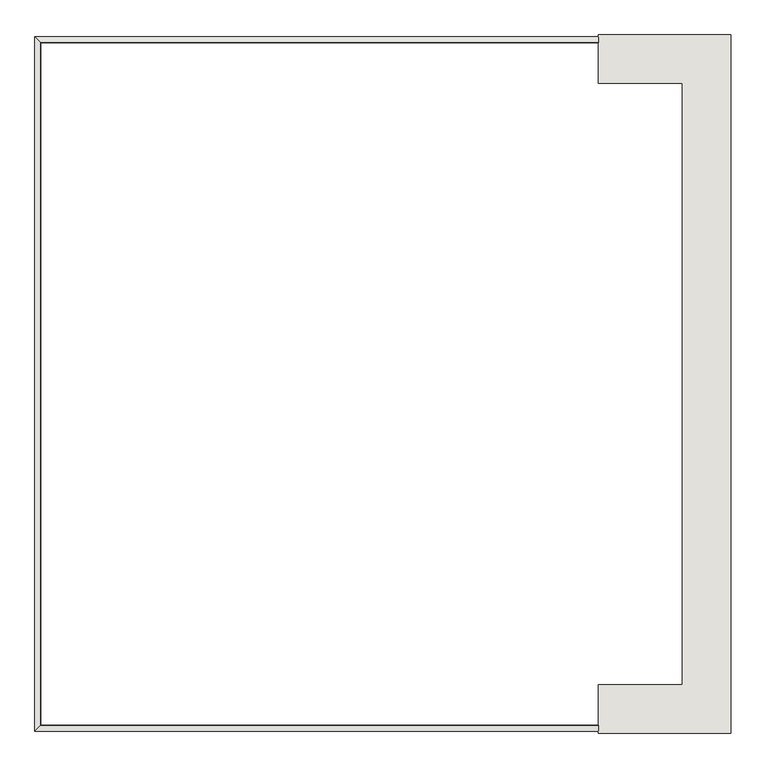
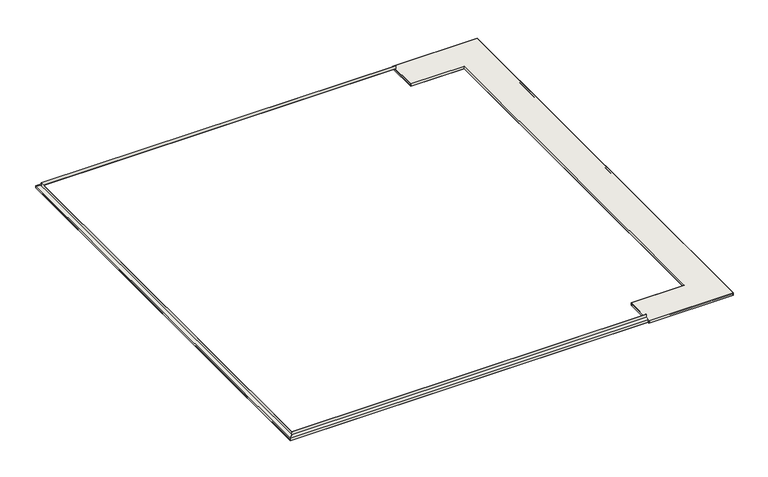
"""IFC4 building model written with IfcOpenShell, lengths in millimetres: wall geometry."""

from ifc_helpers import new_model, si_unit, frame, origin, place, context, project, spatial, polyline, outline, extrude, faceted_brep, source, transform, mapped, element, save


def wall_d3908414(model_context):
    return source(origin(), model_context, "Body", "SolidModel", [
        faceted_brep([(2752.0727507, 3539.3831224, 3429.9998952), (2752.0727507, 3539.3831224, 3479.9998952), (2752.0727507, 4129.3831224, 3479.9998952), (2752.0727507, 4129.3831224, 3429.9998952), (2752.0727507, 4117.3570637, 3449.9998982), (2752.0727507, 4118.2140637, 3450.5152147), (2752.0727507, 4128.3831224, 3433.6035057), (2752.0727507, 4128.3831224, 3478.9998952), (2752.0727507, 3540.3831224, 3478.9998952), (2752.0727507, 3540.3831224, 3434.2359632), (2752.0727507, 3548.4886952, 3450.4471088), (2752.0727507, 3549.3831224, 3449.9998952), (2752.0727507, -3758.8135964, 3429.9998952), (2752.0727507, -3768.8135964, 3449.9998952), (2752.0727507, -3767.9191692, 3450.4471088), (2752.0727507, -3759.8135964, 3434.2359632), (2752.0727507, -3759.8135964, 3478.9998952), (2752.0727507, -4347.8135964, 3478.9998952), (2752.0727507, -4347.8135964, 3433.6035057), (2752.0727507, -4337.6445377, 3450.5152147), (2752.0727507, -4336.7875378, 3449.9998982), (2752.0727507, -4348.8135964, 3429.9998952), (2752.0727507, -4348.8135964, 3479.9998952), (2752.0727507, -3758.8135964, 3479.9998952), (3771.1711101, 3539.3831224, 3429.9998952), (3771.1711101, 3539.3831224, 3479.9998952), (3771.1711101, -3758.8135964, 3479.9998952), (4361.1711101, -4348.8135964, 3479.9998952), (4361.1711101, 4129.3831224, 3479.9998952), (4361.1711101, 4129.3831224, 3429.9998952), (4349.1450515, 4117.3570637, 3449.9998982), (4350.0020514, 4118.2140637, 3450.5152147), (4360.1711101, 4128.3831224, 3433.6035057), (4360.1711101, 4128.3831224, 3478.9998952), (4360.1711101, -4347.8135964, 3478.9998952), (3772.1711101, -3759.8135964, 3478.9998952), (3772.1711101, 3540.3831224, 3478.9998952), (3772.1711101, 3540.3831224, 3434.2359632), (3780.2766829, 3548.4886952, 3450.4471088), (3781.1711101, 3549.3831224, 3449.9998952), (3771.1711101, -3758.8135964, 3429.9998952), (4361.1711101, -4348.8135964, 3429.9998952), (4349.1450515, -4336.7875378, 3449.9998982), (4350.0020514, -4337.6445377, 3450.5152147), (4360.1711101, -4347.8135964, 3433.6035057), (3772.1711101, -3759.8135964, 3434.2359632), (3780.2766829, -3767.9191692, 3450.4471088), (3781.1711101, -3768.8135964, 3449.9998952)], [[[0, 1, 2, 3, 4, 5, 6, 7, 8, 9, 10, 11]], [[12, 13, 14, 15, 16, 17, 18, 19, 20, 21, 22, 23]], [[1, 0, 24, 25]], [[2, 1, 25, 26, 23, 22, 27, 28]], [[3, 2, 28, 29]], [[4, 3, 29, 30]], [[5, 4, 30, 31]], [[6, 5, 31, 32]], [[7, 6, 32, 33]], [[8, 7, 33, 34, 17, 16, 35, 36]], [[9, 8, 36, 37]], [[10, 9, 37, 38]], [[11, 10, 38, 39]], [[0, 11, 39, 24]], [[25, 24, 40, 26]], [[29, 28, 27, 41]], [[30, 29, 41, 42]], [[31, 30, 42, 43]], [[32, 31, 43, 44]], [[33, 32, 44, 34]], [[37, 36, 35, 45]], [[38, 37, 45, 46]], [[39, 38, 46, 47]], [[24, 39, 47, 40]], [[26, 40, 12, 23]], [[41, 27, 22, 21]], [[42, 41, 21, 20]], [[43, 42, 20, 19]], [[44, 43, 19, 18]], [[34, 44, 18, 17]], [[45, 35, 16, 15]], [[46, 45, 15, 14]], [[47, 46, 14, 13]], [[40, 47, 13, 12]]]),
        extrude(outline(polyline([(2752.0727507, 3570.284763), (2752.0727507, 4110.284763), (4342.0727507, 4110.284763), (4342.0727507, -4329.715237), (2752.0727507, -4329.715237), (2752.0727507, -3789.715237), (3802.0727507, -3789.715237), (3802.0727507, 3570.284763), (2752.0727507, 3570.284763)])), frame((0.0, 0.0, 3430.0), z_axis=(0.0, 0.0, 1.0), x_axis=(1.0, 0.0, 0.0)), (0.0, 0.0, 1.0), 29.999997),
        faceted_brep([(2752.0727507, -4324.715237, 3429.9998952), (2752.0727507, -4311.2459239, 3442.9637933), (2752.0727507, -4311.9531599, 3443.6710293), (2752.0727507, -4323.715237, 3432.3503059), (2752.0727507, -4323.715237, 3479.1326), (2752.0727507, -4253.7152174, 3489.1326186), (2752.0727507, -4253.7152174, 3549.9999138), (2752.0727507, -4254.7152174, 3549.9999138), (2752.0727507, -4254.7152174, 3489.9999138), (2752.0727507, -4324.715237, 3479.9998952), (-4092.9272493, -4324.715237, 3429.9998952), (-4079.4579362, -4311.2459239, 3442.9637933), (-4080.1651722, -4311.9531599, 3443.6710293), (-4091.9272493, -4323.715237, 3432.3503059), (-4091.9272493, -4323.715237, 3479.1326), (-4021.9272297, -4253.7152174, 3489.1326186), (-4021.9272297, -4253.7152174, 3549.9999138), (-4021.9272297, 4034.2847434, 3549.9999138), (2752.0727507, 4034.2847434, 3549.9999138), (2752.0727507, 4035.2847434, 3549.9999138), (-4022.9272297, 4035.2847434, 3549.9999138), (-4022.9272297, -4254.7152174, 3549.9999138), (-4022.9272297, -4254.7152174, 3489.9999138), (-4092.9272493, -4324.715237, 3479.9998952), (-4092.9272493, 4105.284763, 3429.9998952), (-4079.4579362, 4091.8154499, 3442.9637933), (-4080.1651722, 4092.5226859, 3443.6710293), (-4091.9272493, 4104.284763, 3432.3503059), (-4091.9272493, 4104.284763, 3479.1326), (-4021.9272297, 4034.2847434, 3489.1326186), (-4022.9272297, 4035.2847434, 3489.9999138), (-4092.9272493, 4105.284763, 3479.9998952), (2752.0727507, 4105.284763, 3429.9998952), (2752.0727507, 4105.284763, 3479.9998952), (2752.0727507, 4035.2847434, 3489.9999138), (2752.0727507, 4034.2847434, 3489.1326186), (2752.0727507, 4104.284763, 3479.1326), (2752.0727507, 4104.284763, 3432.3503059), (2752.0727507, 4092.5226859, 3443.6710293), (2752.0727507, 4091.8154499, 3442.9637933)], [[[0, 1, 2, 3, 4, 5, 6, 7, 8, 9]], [[1, 0, 10, 11]], [[2, 1, 11, 12]], [[3, 2, 12, 13]], [[4, 3, 13, 14]], [[5, 4, 14, 15]], [[6, 5, 15, 16]], [[7, 6, 16, 17, 18, 19, 20, 21]], [[8, 7, 21, 22]], [[9, 8, 22, 23]], [[0, 9, 23, 10]], [[11, 10, 24, 25]], [[12, 11, 25, 26]], [[13, 12, 26, 27]], [[14, 13, 27, 28]], [[15, 14, 28, 29]], [[16, 15, 29, 17]], [[22, 21, 20, 30]], [[23, 22, 30, 31]], [[10, 23, 31, 24]], [[32, 33, 34, 19, 18, 35, 36, 37, 38, 39]], [[25, 24, 32, 39]], [[26, 25, 39, 38]], [[27, 26, 38, 37]], [[28, 27, 37, 36]], [[29, 28, 36, 35]], [[17, 29, 35, 18]], [[30, 20, 19, 34]], [[31, 30, 34, 33]], [[24, 31, 33, 32]]]),
    ])


if __name__ == "__main__":
    model = new_model("IFC4")
    model_context = context("Model", 3, world=origin())
    ifc_project = project(units=[si_unit("LENGTHUNIT", "METRE", prefix="MILLI")], contexts=[model_context])
    site = spatial("IfcSite", under=ifc_project)
    building = spatial("IfcBuilding", under=site)
    placement = place(None, origin())
    wall_shape = wall_d3908414(model_context)
    element("IfcWall", 1, at=placement, inside=building, context=model_context, shape_type="MappedRepresentation", body=[
        mapped(wall_shape, transform((0.0, 0.0, 0.0), x_axis=(1.0, 0.0, 0.0), y_axis=(0.0, 1.0, 0.0), z_axis=(0.0, 0.0, 1.0))),
    ])
    save(model, "model.ifc")
